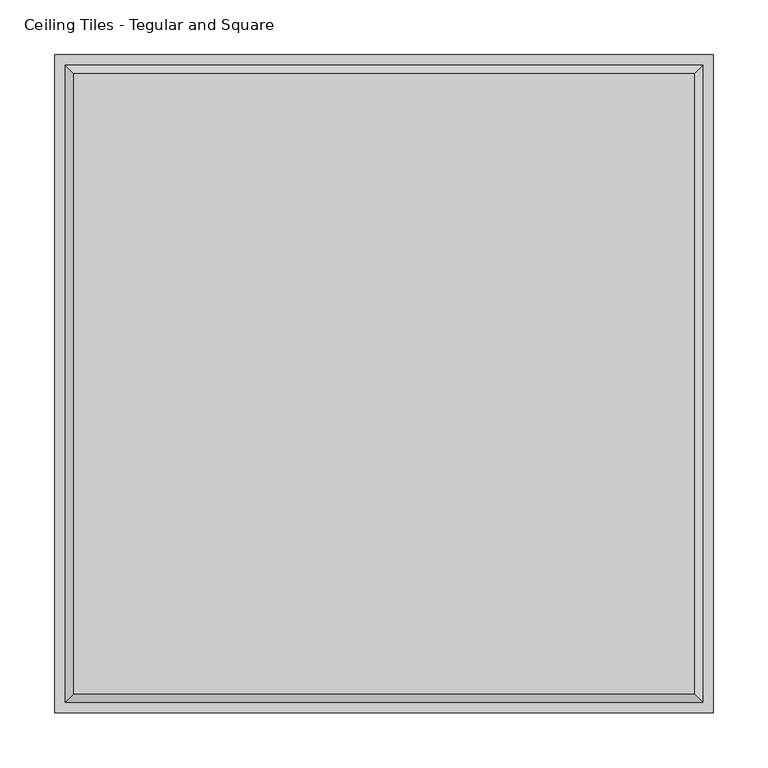
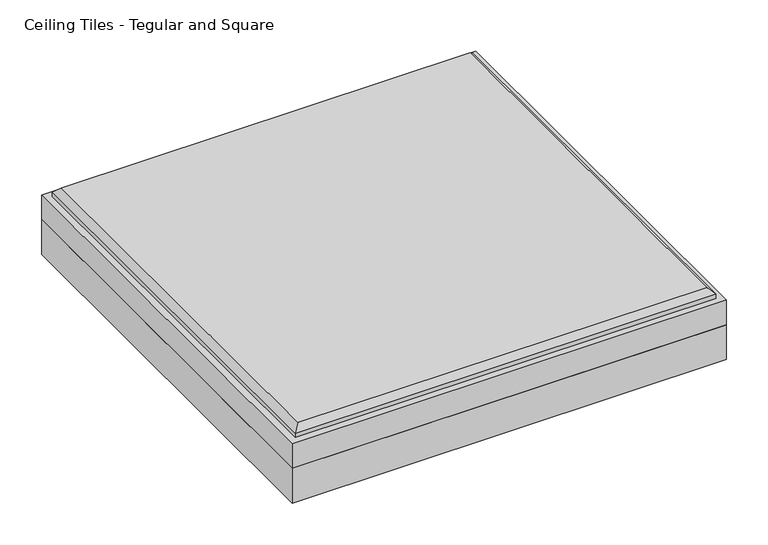
"""IFC4 building model written with IfcOpenShell, lengths in millimetres: proxy geometry, Ceiling Tiles - Tegular and Square."""

from ifc_helpers import new_model, si_unit, origin, origin_with_axes, place, context, project, spatial, polyline, outline, extrude, faceted_brep, source, transform, mapped, element, save


def ceiling_tiles_tegular_and_square_129ce30f(model_context):
    return source(origin(), model_context, "Body", "SolidModel", [
        extrude(outline(polyline([(301.625, 301.625), (301.625, -301.625), (-301.625, -301.625), (-301.625, 301.625), (301.625, 301.625)])), origin_with_axes(), (0.0, 0.0, 1.0), 50.8),
        faceted_brep([(284.099, 284.099, 101.6), (-284.099, 284.099, 101.6), (-284.099, -284.099, 101.6), (284.099, -284.099, 101.6), (-301.625, 301.625, 50.8), (301.625, 301.625, 50.8), (301.625, -301.625, 50.8), (-301.625, -301.625, 50.8), (-301.625, -301.625, 87.3125), (-301.625, 301.625, 87.3125), (301.625, -301.625, 87.3125), (301.625, 301.625, 87.3125), (292.1, 292.1, 93.599), (-292.1, 292.1, 93.599), (-292.1, -292.1, 93.599), (292.1, -292.1, 93.599), (292.1, 292.1, 87.3125), (-292.1, 292.1, 87.3125), (-292.1, -292.1, 87.3125), (292.1, -292.1, 87.3125)], [[[0, 1, 2, 3]], [[4, 5, 6, 7]], [[4, 7, 8, 9]], [[7, 6, 10, 8]], [[6, 5, 11, 10]], [[5, 4, 9, 11]], [[12, 13, 1, 0]], [[1, 13, 14, 2]], [[2, 14, 15, 3]], [[12, 0, 3, 15]], [[16, 17, 13, 12]], [[13, 17, 18, 14]], [[14, 18, 19, 15]], [[16, 12, 15, 19]], [[9, 8, 10, 11], [17, 16, 19, 18]]]),
    ])


if __name__ == "__main__":
    model = new_model("IFC4")
    model_context = context("Model", 3, world=origin())
    ifc_project = project(units=[si_unit("LENGTHUNIT", "METRE", prefix="MILLI")], contexts=[model_context])
    site = spatial("IfcSite", under=ifc_project)
    building = spatial("IfcBuilding", under=site)
    placement = place(None, origin())
    ceiling_tiles_tegular_and_square_shape = ceiling_tiles_tegular_and_square_129ce30f(model_context)
    element("IfcBuildingElementProxy", 1, Name="Ceiling Tiles - Tegular and Square", ObjectType="Ceiling Tiles - Tegular and Square", at=placement, inside=building, context=model_context, shape_type="MappedRepresentation", body=[
        mapped(ceiling_tiles_tegular_and_square_shape, transform((0.0, 0.0, 0.0), x_axis=(1.0, 0.0, 0.0), y_axis=(0.0, 1.0, 0.0), z_axis=(0.0, 0.0, 1.0))),
    ])
    save(model, "model.ifc")
